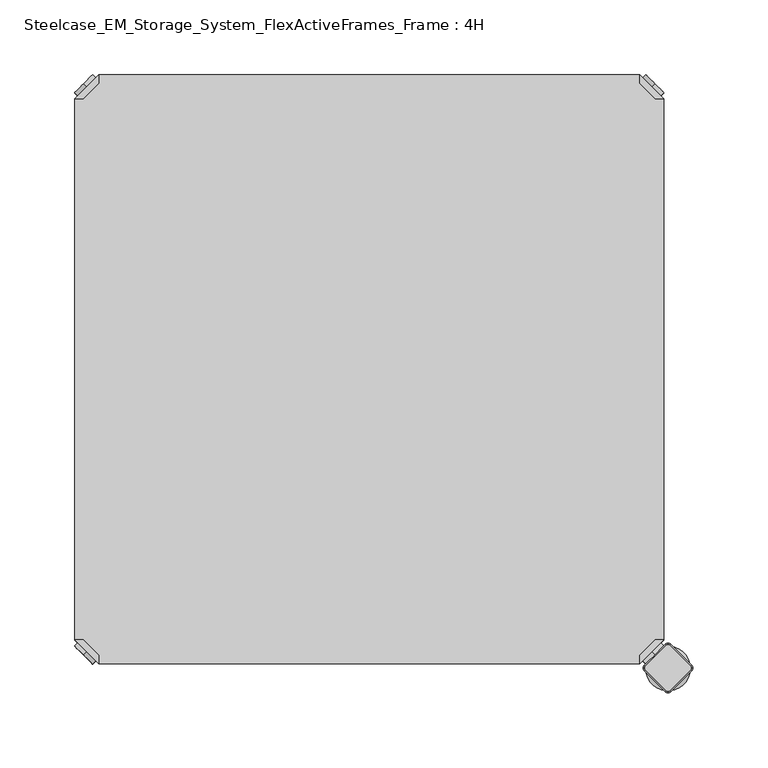
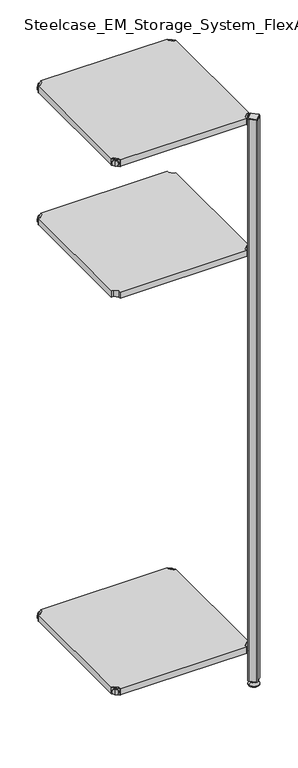
"""IFC4 building model written with IfcOpenShell, lengths in millimetres: furniture geometry, Steelcase_EM_Storage_System_FlexActiveFrames_Frame : 4H."""

from ifc_helpers import new_model, si_unit, point, frame, frame_2d, origin, place, context, project, spatial, polyline, circle_curve, trimmed, segment, composite_curve, outline, extrude, source, transform, mapped, element, save
from ifc_brep_helpers import plane_surface, cylinder_surface, revolved_surface, advanced_brep


def steelcase_em_storage_system_flexactiveframes_frame_4h_d74a4aea(model_context):
    return source(origin(), model_context, "Body", "SolidModel", [
        advanced_brep(
        [(10.9601551, -10.9601551, 1298.5), (10.9601551, -10.9601551, 1315.5), (10.9601551, -10.9601551, 1307.0), (8.8388348, -8.8388348, 1298.5), (8.8388348, -8.8388348, 1315.5), (8.8388348, -8.8388348, 1307.0)],
        [
            (0, 1, circle_curve(frame((10.9601551, -10.9601551, 1307.0), z_axis=(0.7071067811865464, -0.7071067811865487, 0.0), x_axis=(0.0, 0.0, 1.0)), 8.5)),
            (1, 2),
            (2, 0),
            (1, 0, circle_curve(frame((10.9601551, -10.9601551, 1307.0), z_axis=(0.7071067811865464, -0.7071067811865487, 0.0), x_axis=(0.0, 0.0, 1.0)), 8.5)),
            (3, 4, circle_curve(frame((8.8388348, -8.8388348, 1307.0), z_axis=(0.7071067811865464, -0.7071067811865487, 0.0), x_axis=(0.0, 0.0, 1.0)), 8.5)),
            (4, 1),
            (0, 3),
            (4, 3, circle_curve(frame((8.8388348, -8.8388348, 1307.0), z_axis=(0.7071067811865464, -0.7071067811865487, 0.0), x_axis=(0.0, 0.0, 1.0)), 8.5)),
            (5, 4),
            (3, 5),
        ],
        [
            plane_surface(frame((10.9601551, -10.9601551, 1307.0), z_axis=(0.707106781186546, -0.7071067811865491, 0.0), x_axis=(0.0, 0.0, 1.0))),
            cylinder_surface(frame((8.8388348, -8.8388348, 1307.0), z_axis=(-0.7071067811865464, 0.7071067811865487, 0.0), x_axis=(0.0, 0.0, 1.0)), 8.5),
            plane_surface(frame((8.8388348, -8.8388348, 1307.0), z_axis=(-0.707106781186546, 0.7071067811865491, 0.0), x_axis=(0.0, 0.0, 1.0))),
        ],
        [
            (0, [[1, 2, 3]]),
            (0, [[4, -3, -2]]),
            (1, [[5, 6, -1, 7]]),
            (1, [[8, -7, -4, -6]]),
            (2, [[9, -5, 10]]),
            (2, [[-10, -8, -9]]),
        ],
    ),
        advanced_brep(
        [(18.9203102, -3.0, 1317.0), (3.0, -18.9203102, 1317.0), (8.6568542, -18.9203102, 1317.0), (18.9203102, -8.6568542, 1317.0), (18.9203102, -3.0, 1298.0), (18.9203102, -3.0, 1297.0), (3.0, -18.9203102, 1297.0), (3.0, -18.9203102, 1298.0), (8.6568542, -18.9203102, 1298.0), (18.9203102, -8.6568542, 1298.0), (31.8093975, -47.7297077, 1298.0), (47.7297077, -31.8093975, 1298.0), (47.7297077, -31.8093975, 1297.0), (31.8093975, -47.7297077, 1297.0)],
        [
            (0, 1),
            (1, 2),
            (2, 3),
            (3, 0),
            (0, 4),
            (4, 5),
            (5, 6),
            (6, 7),
            (7, 1),
            (2, 8),
            (8, 9),
            (9, 3),
            (9, 4),
            (7, 8),
            (7, 10),
            (10, 11, circle_curve(frame((39.7695526, -39.7695526, 1298.0), z_axis=(0.0, 0.0, 1.0), x_axis=(1.0, 0.0, 0.0)), 11.2573593)),
            (11, 4),
            (5, 12),
            (12, 13, circle_curve(frame((39.7695526, -39.7695526, 1297.0), z_axis=(0.0, 0.0, -1.0), x_axis=(1.0, 0.0, 0.0)), 11.2573593)),
            (13, 6),
            (13, 10),
            (12, 11),
        ],
        [
            plane_surface(frame((-38.8756299, -60.7959401, 1317.0), z_axis=(0.0, 0.0, 1.0000000000000002), x_axis=(-0.7071067811865557, -0.7071067811865395, 0.0))),
            plane_surface(frame((18.9203102, -3.0, 1317.0), z_axis=(-0.7071067811865395, 0.7071067811865557, 0.0), x_axis=(0.0, 0.0, -1.0))),
            plane_surface(frame((8.6568542, -18.9203102, 1317.0), z_axis=(0.7071067811865481, -0.7071067811865469, 0.0), x_axis=(0.0, 0.0, -1.0))),
            plane_surface(frame((18.9203102, -8.6568542, 1317.0), z_axis=(1.0, 0.0, 0.0), x_axis=(0.0, 0.0, -1.0))),
            plane_surface(frame((3.0, -18.9203102, 1317.0), z_axis=(0.0, -1.0, 0.0), x_axis=(0.0, 0.0, -1.0))),
            plane_surface(frame((3.0, -18.9203102, 1298.0), z_axis=(0.0, 0.0, 1.0), x_axis=(-0.7071067811865485, -0.7071067811865466, 0.0))),
            plane_surface(frame((3.0, -18.9203102, 1297.0), z_axis=(0.0, 0.0, -1.0), x_axis=(0.7071067811865485, 0.7071067811865466, 0.0))),
            plane_surface(frame((3.0, -18.9203102, 1298.0), z_axis=(-0.7071067811865491, -0.707106781186546, 0.0), x_axis=(0.0, 0.0, -1.0))),
            cylinder_surface(frame((39.7695526, -39.7695526, 1297.0), z_axis=(0.0, 0.0, 1.0), x_axis=(1.0, 0.0, 0.0)), 11.2573593),
            plane_surface(frame((47.7297077, -31.8093975, 1298.0), z_axis=(0.707106781186548, 0.7071067811865471, 0.0), x_axis=(0.0, 0.0, -1.0))),
        ],
        [
            (0, [[1, 2, 3, 4]]),
            (1, [[-1, 5, 6, 7, 8, 9]]),
            (2, [[-3, 10, 11, 12]]),
            (3, [[-4, -12, 13, -5]]),
            (4, [[-2, -9, 14, -10]]),
            (5, [[15, 16, 17, -13, -11, -14]]),
            (6, [[18, 19, 20, -7]]),
            (7, [[-15, -8, -20, 21]]),
            (8, [[-16, -21, -19, 22]]),
            (9, [[-17, -22, -18, -6]]),
        ],
    ),
        extrude(outline(polyline([(381.0796898, -3.0), (381.0796898, -8.6568542), (391.3431458, -18.9203102), (397.0, -18.9203102), (397.0, -381.0796898), (391.3431458, -381.0796898), (381.0796898, -391.3431458), (381.0796898, -397.0), (18.9203102, -397.0), (18.9203102, -391.3431458), (8.6568542, -381.0796898), (3.0, -381.0796898), (3.0, -18.9203102), (8.6568542, -18.9203102), (18.9203102, -8.6568542), (18.9203102, -3.0), (381.0796898, -3.0)])), frame((0.0, 0.0, 1298.0), z_axis=(0.0, 0.0, 1.0), x_axis=(1.0, 0.0, 0.0)), (0.0, 0.0, 1.0), 19.0),
        advanced_brep(
        [(389.0398449, -10.9601551, 1698.5), (389.0398449, -10.9601551, 1707.0), (389.0398449, -10.9601551, 1715.5), (391.1611652, -8.8388348, 1698.5), (391.1611652, -8.8388348, 1715.5), (391.1611652, -8.8388348, 1707.0)],
        [
            (0, 1),
            (1, 2),
            (2, 0, circle_curve(frame((389.0398449, -10.9601551, 1707.0), z_axis=(-0.7071067811865556, -0.7071067811865395, 0.0), x_axis=(0.0, 0.0, 1.0)), 8.5)),
            (0, 2, circle_curve(frame((389.0398449, -10.9601551, 1707.0), z_axis=(-0.7071067811865556, -0.7071067811865395, 0.0), x_axis=(0.0, 0.0, 1.0)), 8.5)),
            (3, 0),
            (2, 4),
            (4, 3, circle_curve(frame((391.1611652, -8.8388348, 1707.0), z_axis=(-0.7071067811865556, -0.7071067811865395, 0.0), x_axis=(0.0, 0.0, 1.0)), 8.5)),
            (3, 4, circle_curve(frame((391.1611652, -8.8388348, 1707.0), z_axis=(-0.7071067811865556, -0.7071067811865395, 0.0), x_axis=(0.0, 0.0, 1.0)), 8.5)),
            (5, 3),
            (4, 5),
        ],
        [
            plane_surface(frame((389.0398449, -10.9601551, 1707.0), z_axis=(-0.7071067811865552, -0.7071067811865399, 0.0), x_axis=(0.0, 0.0, 1.0))),
            cylinder_surface(frame((391.1611652, -8.8388348, 1707.0), z_axis=(0.7071067811865556, 0.7071067811865395, 0.0), x_axis=(0.0, 0.0, 1.0)), 8.5),
            plane_surface(frame((391.1611652, -8.8388348, 1707.0), z_axis=(0.7071067811865552, 0.7071067811865399, 0.0), x_axis=(0.0, 0.0, 1.0))),
        ],
        [
            (0, [[1, 2, 3]]),
            (0, [[-2, -1, 4]]),
            (1, [[5, -3, 6, 7]]),
            (1, [[-6, -4, -5, 8]]),
            (2, [[9, -7, 10]]),
            (2, [[-10, -8, -9]]),
        ],
    ),
        advanced_brep(
        [(381.0796898, -3.0, 1717.0), (381.0796898, -8.6568542, 1717.0), (391.3431458, -18.9203102, 1717.0), (397.0, -18.9203102, 1717.0), (397.0, -18.9203102, 1698.0), (397.0, -18.9203102, 1697.0), (381.0796898, -3.0, 1697.0), (381.0796898, -3.0, 1698.0), (381.0796898, -8.6568542, 1698.0), (391.3431458, -18.9203102, 1698.0), (352.2702923, -31.8093975, 1698.0), (368.1906025, -47.7297077, 1698.0), (368.1906025, -47.7297077, 1697.0), (352.2702923, -31.8093975, 1697.0)],
        [
            (0, 1),
            (1, 2),
            (2, 3),
            (3, 0),
            (3, 4),
            (4, 5),
            (5, 6),
            (6, 7),
            (7, 0),
            (1, 8),
            (8, 9),
            (9, 2),
            (7, 8),
            (9, 4),
            (7, 10),
            (10, 11, circle_curve(frame((360.2304474, -39.7695526, 1698.0), z_axis=(0.0, 0.0, 1.0), x_axis=(-1.0, 0.0, 0.0)), 11.2573593)),
            (11, 4),
            (5, 12),
            (12, 13, circle_curve(frame((360.2304474, -39.7695526, 1697.0), z_axis=(0.0, 0.0, -1.0), x_axis=(-1.0, 0.0, 0.0)), 11.2573593)),
            (13, 6),
            (11, 12),
            (10, 13),
        ],
        [
            plane_surface(frame((438.8756299, -60.7959401, 1717.0), z_axis=(0.0, 0.0, 1.0000000000000002), x_axis=(0.7071067811865465, -0.7071067811865487, 0.0))),
            plane_surface(frame((381.0796898, -3.0, 1717.0), z_axis=(0.7071067811865487, 0.7071067811865465, 0.0), x_axis=(0.0, 0.0, -1.0))),
            plane_surface(frame((391.3431458, -18.9203102, 1717.0), z_axis=(-0.7071067811865573, -0.7071067811865377, 0.0), x_axis=(0.0, 0.0, -1.0))),
            plane_surface(frame((381.0796898, -8.6568542, 1717.0), z_axis=(-1.0, 0.0, 0.0), x_axis=(0.0, 0.0, -1.0))),
            plane_surface(frame((397.0, -18.9203102, 1717.0), z_axis=(0.0, -1.0, 0.0), x_axis=(0.0, 0.0, -1.0))),
            plane_surface(frame((397.0, -18.9203102, 1698.0), z_axis=(0.0, 0.0, 1.0), x_axis=(0.7071067811865392, -0.7071067811865558, 0.0))),
            plane_surface(frame((397.0, -18.9203102, 1697.0), z_axis=(0.0, 0.0, -1.0), x_axis=(-0.7071067811865392, 0.7071067811865558, 0.0))),
            plane_surface(frame((397.0, -18.9203102, 1698.0), z_axis=(0.7071067811865399, -0.7071067811865552, 0.0), x_axis=(0.0, 0.0, -1.0))),
            cylinder_surface(frame((360.2304474, -39.7695526, 1697.0), z_axis=(0.0, 0.0, 1.0), x_axis=(-1.0, 0.0, 0.0)), 11.2573593),
            plane_surface(frame((352.2702923, -31.8093975, 1698.0), z_axis=(-0.7071067811865388, 0.7071067811865563, 0.0), x_axis=(0.0, 0.0, -1.0))),
        ],
        [
            (0, [[1, 2, 3, 4]]),
            (1, [[5, 6, 7, 8, 9, -4]]),
            (2, [[10, 11, 12, -2]]),
            (3, [[-9, 13, -10, -1]]),
            (4, [[-12, 14, -5, -3]]),
            (5, [[-14, -11, -13, 15, 16, 17]]),
            (6, [[-7, 18, 19, 20]]),
            (7, [[21, -18, -6, -17]]),
            (8, [[22, -19, -21, -16]]),
            (9, [[-8, -20, -22, -15]]),
        ],
    ),
        advanced_brep(
        [(389.0398449, -389.0398449, 1698.5), (389.0398449, -389.0398449, 1715.5), (389.0398449, -389.0398449, 1707.0), (391.1611652, -391.1611652, 1698.5), (391.1611652, -391.1611652, 1715.5), (391.1611652, -391.1611652, 1707.0)],
        [
            (0, 1, circle_curve(frame((389.0398449, -389.0398449, 1707.0), z_axis=(-0.7071067811865509, 0.7071067811865441, 0.0), x_axis=(0.0, 0.0, 1.0)), 8.5)),
            (1, 2),
            (2, 0),
            (1, 0, circle_curve(frame((389.0398449, -389.0398449, 1707.0), z_axis=(-0.7071067811865509, 0.7071067811865441, 0.0), x_axis=(0.0, 0.0, 1.0)), 8.5)),
            (3, 4, circle_curve(frame((391.1611652, -391.1611652, 1707.0), z_axis=(-0.7071067811865509, 0.7071067811865441, 0.0), x_axis=(0.0, 0.0, 1.0)), 8.5)),
            (4, 1),
            (0, 3),
            (4, 3, circle_curve(frame((391.1611652, -391.1611652, 1707.0), z_axis=(-0.7071067811865509, 0.7071067811865441, 0.0), x_axis=(0.0, 0.0, 1.0)), 8.5)),
            (5, 4),
            (3, 5),
        ],
        [
            plane_surface(frame((389.0398449, -389.0398449, 1707.0), z_axis=(-0.7071067811865506, 0.7071067811865446, 0.0), x_axis=(0.0, 0.0, 1.0))),
            cylinder_surface(frame((391.1611652, -391.1611652, 1707.0), z_axis=(0.7071067811865509, -0.7071067811865441, 0.0), x_axis=(0.0, 0.0, 1.0)), 8.5),
            plane_surface(frame((391.1611652, -391.1611652, 1707.0), z_axis=(0.7071067811865506, -0.7071067811865446, 0.0), x_axis=(0.0, 0.0, 1.0))),
        ],
        [
            (0, [[1, 2, 3]]),
            (0, [[4, -3, -2]]),
            (1, [[5, 6, -1, 7]]),
            (1, [[8, -7, -4, -6]]),
            (2, [[9, -5, 10]]),
            (2, [[-10, -8, -9]]),
        ],
    ),
        advanced_brep(
        [(381.0796898, -397.0, 1717.0), (397.0, -381.0796898, 1717.0), (391.3431458, -381.0796898, 1717.0), (381.0796898, -391.3431458, 1717.0), (381.0796898, -397.0, 1698.0), (381.0796898, -397.0, 1697.0), (397.0, -381.0796898, 1697.0), (397.0, -381.0796898, 1698.0), (391.3431458, -381.0796898, 1698.0), (381.0796898, -391.3431458, 1698.0), (368.1906025, -352.2702923, 1698.0), (352.2702923, -368.1906025, 1698.0), (352.2702923, -368.1906025, 1697.0), (368.1906025, -352.2702923, 1697.0)],
        [
            (0, 1),
            (1, 2),
            (2, 3),
            (3, 0),
            (0, 4),
            (4, 5),
            (5, 6),
            (6, 7),
            (7, 1),
            (2, 8),
            (8, 9),
            (9, 3),
            (9, 4),
            (7, 8),
            (7, 10),
            (10, 11, circle_curve(frame((360.2304474, -360.2304474, 1698.0), z_axis=(0.0, 0.0, 1.0), x_axis=(-1.0, 0.0, 0.0)), 11.2573593)),
            (11, 4),
            (5, 12),
            (12, 13, circle_curve(frame((360.2304474, -360.2304474, 1697.0), z_axis=(0.0, 0.0, -1.0), x_axis=(-1.0, 0.0, 0.0)), 11.2573593)),
            (13, 6),
            (13, 10),
            (12, 11),
        ],
        [
            plane_surface(frame((438.8756299, -339.2040599, 1717.0), z_axis=(0.0, 0.0, 1.0000000000000002), x_axis=(0.7071067811865511, 0.707106781186544, 0.0))),
            plane_surface(frame((381.0796898, -397.0, 1717.0), z_axis=(0.707106781186544, -0.7071067811865511, 0.0), x_axis=(0.0, 0.0, -1.0))),
            plane_surface(frame((391.3431458, -381.0796898, 1717.0), z_axis=(-0.7071067811865527, 0.7071067811865424, 0.0), x_axis=(0.0, 0.0, -1.0))),
            plane_surface(frame((381.0796898, -391.3431458, 1717.0), z_axis=(-1.0, 0.0, 0.0), x_axis=(0.0, 0.0, -1.0))),
            plane_surface(frame((397.0, -381.0796898, 1717.0), z_axis=(0.0, 1.0, 0.0), x_axis=(0.0, 0.0, -1.0))),
            plane_surface(frame((397.0, -381.0796898, 1698.0), z_axis=(0.0, 0.0, 1.0), x_axis=(0.7071067811865439, 0.7071067811865511, 0.0))),
            plane_surface(frame((397.0, -381.0796898, 1697.0), z_axis=(0.0, 0.0, -1.0), x_axis=(-0.7071067811865439, -0.7071067811865511, 0.0))),
            plane_surface(frame((397.0, -381.0796898, 1698.0), z_axis=(0.7071067811865446, 0.7071067811865506, 0.0), x_axis=(0.0, 0.0, -1.0))),
            cylinder_surface(frame((360.2304474, -360.2304474, 1697.0), z_axis=(0.0, 0.0, 1.0), x_axis=(-1.0, 0.0, 0.0)), 11.2573593),
            plane_surface(frame((352.2702923, -368.1906025, 1698.0), z_axis=(-0.7071067811865435, -0.7071067811865517, 0.0), x_axis=(0.0, 0.0, -1.0))),
        ],
        [
            (0, [[1, 2, 3, 4]]),
            (1, [[-1, 5, 6, 7, 8, 9]]),
            (2, [[-3, 10, 11, 12]]),
            (3, [[-4, -12, 13, -5]]),
            (4, [[-2, -9, 14, -10]]),
            (5, [[15, 16, 17, -13, -11, -14]]),
            (6, [[18, 19, 20, -7]]),
            (7, [[-15, -8, -20, 21]]),
            (8, [[-16, -21, -19, 22]]),
            (9, [[-17, -22, -18, -6]]),
        ],
    ),
        advanced_brep(
        [(10.9601551, -389.0398449, 1698.5), (10.9601551, -389.0398449, 1707.0), (10.9601551, -389.0398449, 1715.5), (8.8388348, -391.1611652, 1698.5), (8.8388348, -391.1611652, 1715.5), (8.8388348, -391.1611652, 1707.0)],
        [
            (0, 1),
            (1, 2),
            (2, 0, circle_curve(frame((10.9601551, -389.0398449, 1707.0), z_axis=(0.7071067811865509, 0.7071067811865441, 0.0), x_axis=(0.0, 0.0, 1.0)), 8.5)),
            (0, 2, circle_curve(frame((10.9601551, -389.0398449, 1707.0), z_axis=(0.7071067811865509, 0.7071067811865441, 0.0), x_axis=(0.0, 0.0, 1.0)), 8.5)),
            (3, 0),
            (2, 4),
            (4, 3, circle_curve(frame((8.8388348, -391.1611652, 1707.0), z_axis=(0.7071067811865509, 0.7071067811865441, 0.0), x_axis=(0.0, 0.0, 1.0)), 8.5)),
            (3, 4, circle_curve(frame((8.8388348, -391.1611652, 1707.0), z_axis=(0.7071067811865509, 0.7071067811865441, 0.0), x_axis=(0.0, 0.0, 1.0)), 8.5)),
            (5, 3),
            (4, 5),
        ],
        [
            plane_surface(frame((10.9601551, -389.0398449, 1707.0), z_axis=(0.7071067811865506, 0.7071067811865446, 0.0), x_axis=(0.0, 0.0, 1.0))),
            cylinder_surface(frame((8.8388348, -391.1611652, 1707.0), z_axis=(-0.7071067811865509, -0.7071067811865441, 0.0), x_axis=(0.0, 0.0, 1.0)), 8.5),
            plane_surface(frame((8.8388348, -391.1611652, 1707.0), z_axis=(-0.7071067811865506, -0.7071067811865446, 0.0), x_axis=(0.0, 0.0, 1.0))),
        ],
        [
            (0, [[1, 2, 3]]),
            (0, [[-2, -1, 4]]),
            (1, [[5, -3, 6, 7]]),
            (1, [[-6, -4, -5, 8]]),
            (2, [[9, -7, 10]]),
            (2, [[-10, -8, -9]]),
        ],
    ),
        advanced_brep(
        [(18.9203102, -397.0, 1717.0), (18.9203102, -391.3431458, 1717.0), (8.6568542, -381.0796898, 1717.0), (3.0, -381.0796898, 1717.0), (3.0, -381.0796898, 1698.0), (3.0, -381.0796898, 1697.0), (18.9203102, -397.0, 1697.0), (18.9203102, -397.0, 1698.0), (18.9203102, -391.3431458, 1698.0), (8.6568542, -381.0796898, 1698.0), (47.7297077, -368.1906025, 1698.0), (31.8093975, -352.2702923, 1698.0), (31.8093975, -352.2702923, 1697.0), (47.7297077, -368.1906025, 1697.0)],
        [
            (0, 1),
            (1, 2),
            (2, 3),
            (3, 0),
            (3, 4),
            (4, 5),
            (5, 6),
            (6, 7),
            (7, 0),
            (1, 8),
            (8, 9),
            (9, 2),
            (7, 8),
            (9, 4),
            (7, 10),
            (10, 11, circle_curve(frame((39.7695526, -360.2304474, 1698.0), z_axis=(0.0, 0.0, 1.0), x_axis=(1.0, 0.0, 0.0)), 11.2573593)),
            (11, 4),
            (5, 12),
            (12, 13, circle_curve(frame((39.7695526, -360.2304474, 1697.0), z_axis=(0.0, 0.0, -1.0), x_axis=(1.0, 0.0, 0.0)), 11.2573593)),
            (13, 6),
            (11, 12),
            (10, 13),
        ],
        [
            plane_surface(frame((-38.8756299, -339.2040599, 1717.0), z_axis=(0.0, 0.0, 1.0000000000000002), x_axis=(-0.7071067811865511, 0.707106781186544, 0.0))),
            plane_surface(frame((18.9203102, -397.0, 1717.0), z_axis=(-0.707106781186544, -0.7071067811865511, 0.0), x_axis=(0.0, 0.0, -1.0))),
            plane_surface(frame((8.6568542, -381.0796898, 1717.0), z_axis=(0.7071067811865527, 0.7071067811865424, 0.0), x_axis=(0.0, 0.0, -1.0))),
            plane_surface(frame((18.9203102, -391.3431458, 1717.0), z_axis=(1.0, 0.0, 0.0), x_axis=(0.0, 0.0, -1.0))),
            plane_surface(frame((3.0, -381.0796898, 1717.0), z_axis=(0.0, 1.0, 0.0), x_axis=(0.0, 0.0, -1.0))),
            plane_surface(frame((3.0, -381.0796898, 1698.0), z_axis=(0.0, 0.0, 1.0), x_axis=(-0.7071067811865439, 0.7071067811865511, 0.0))),
            plane_surface(frame((3.0, -381.0796898, 1697.0), z_axis=(0.0, 0.0, -1.0), x_axis=(0.7071067811865439, -0.7071067811865511, 0.0))),
            plane_surface(frame((3.0, -381.0796898, 1698.0), z_axis=(-0.7071067811865446, 0.7071067811865506, 0.0), x_axis=(0.0, 0.0, -1.0))),
            cylinder_surface(frame((39.7695526, -360.2304474, 1697.0), z_axis=(0.0, 0.0, 1.0), x_axis=(1.0, 0.0, 0.0)), 11.2573593),
            plane_surface(frame((47.7297077, -368.1906025, 1698.0), z_axis=(0.7071067811865435, -0.7071067811865517, 0.0), x_axis=(0.0, 0.0, -1.0))),
        ],
        [
            (0, [[1, 2, 3, 4]]),
            (1, [[5, 6, 7, 8, 9, -4]]),
            (2, [[10, 11, 12, -2]]),
            (3, [[-9, 13, -10, -1]]),
            (4, [[-12, 14, -5, -3]]),
            (5, [[-14, -11, -13, 15, 16, 17]]),
            (6, [[-7, 18, 19, 20]]),
            (7, [[21, -18, -6, -17]]),
            (8, [[22, -19, -21, -16]]),
            (9, [[-8, -20, -22, -15]]),
        ],
    ),
        advanced_brep(
        [(10.9601551, -10.9601551, 1698.5), (10.9601551, -10.9601551, 1715.5), (10.9601551, -10.9601551, 1707.0), (8.8388348, -8.8388348, 1698.5), (8.8388348, -8.8388348, 1715.5), (8.8388348, -8.8388348, 1707.0)],
        [
            (0, 1, circle_curve(frame((10.9601551, -10.9601551, 1707.0), z_axis=(0.7071067811865464, -0.7071067811865487, 0.0), x_axis=(0.0, 0.0, 1.0)), 8.5)),
            (1, 2),
            (2, 0),
            (1, 0, circle_curve(frame((10.9601551, -10.9601551, 1707.0), z_axis=(0.7071067811865464, -0.7071067811865487, 0.0), x_axis=(0.0, 0.0, 1.0)), 8.5)),
            (3, 4, circle_curve(frame((8.8388348, -8.8388348, 1707.0), z_axis=(0.7071067811865464, -0.7071067811865487, 0.0), x_axis=(0.0, 0.0, 1.0)), 8.5)),
            (4, 1),
            (0, 3),
            (4, 3, circle_curve(frame((8.8388348, -8.8388348, 1707.0), z_axis=(0.7071067811865464, -0.7071067811865487, 0.0), x_axis=(0.0, 0.0, 1.0)), 8.5)),
            (5, 4),
            (3, 5),
        ],
        [
            plane_surface(frame((10.9601551, -10.9601551, 1707.0), z_axis=(0.707106781186546, -0.7071067811865491, 0.0), x_axis=(0.0, 0.0, 1.0))),
            cylinder_surface(frame((8.8388348, -8.8388348, 1707.0), z_axis=(-0.7071067811865464, 0.7071067811865487, 0.0), x_axis=(0.0, 0.0, 1.0)), 8.5),
            plane_surface(frame((8.8388348, -8.8388348, 1707.0), z_axis=(-0.707106781186546, 0.7071067811865491, 0.0), x_axis=(0.0, 0.0, 1.0))),
        ],
        [
            (0, [[1, 2, 3]]),
            (0, [[4, -3, -2]]),
            (1, [[5, 6, -1, 7]]),
            (1, [[8, -7, -4, -6]]),
            (2, [[9, -5, 10]]),
            (2, [[-10, -8, -9]]),
        ],
    ),
        advanced_brep(
        [(18.9203102, -3.0, 1717.0), (3.0, -18.9203102, 1717.0), (8.6568542, -18.9203102, 1717.0), (18.9203102, -8.6568542, 1717.0), (18.9203102, -3.0, 1698.0), (18.9203102, -3.0, 1697.0), (3.0, -18.9203102, 1697.0), (3.0, -18.9203102, 1698.0), (8.6568542, -18.9203102, 1698.0), (18.9203102, -8.6568542, 1698.0), (31.8093975, -47.7297077, 1698.0), (47.7297077, -31.8093975, 1698.0), (47.7297077, -31.8093975, 1697.0), (31.8093975, -47.7297077, 1697.0)],
        [
            (0, 1),
            (1, 2),
            (2, 3),
            (3, 0),
            (0, 4),
            (4, 5),
            (5, 6),
            (6, 7),
            (7, 1),
            (2, 8),
            (8, 9),
            (9, 3),
            (9, 4),
            (7, 8),
            (7, 10),
            (10, 11, circle_curve(frame((39.7695526, -39.7695526, 1698.0), z_axis=(0.0, 0.0, 1.0), x_axis=(1.0, 0.0, 0.0)), 11.2573593)),
            (11, 4),
            (5, 12),
            (12, 13, circle_curve(frame((39.7695526, -39.7695526, 1697.0), z_axis=(0.0, 0.0, -1.0), x_axis=(1.0, 0.0, 0.0)), 11.2573593)),
            (13, 6),
            (13, 10),
            (12, 11),
        ],
        [
            plane_surface(frame((-38.8756299, -60.7959401, 1717.0), z_axis=(0.0, 0.0, 1.0000000000000002), x_axis=(-0.7071067811865557, -0.7071067811865395, 0.0))),
            plane_surface(frame((18.9203102, -3.0, 1717.0), z_axis=(-0.7071067811865395, 0.7071067811865557, 0.0), x_axis=(0.0, 0.0, -1.0))),
            plane_surface(frame((8.6568542, -18.9203102, 1717.0), z_axis=(0.7071067811865481, -0.7071067811865469, 0.0), x_axis=(0.0, 0.0, -1.0))),
            plane_surface(frame((18.9203102, -8.6568542, 1717.0), z_axis=(1.0, 0.0, 0.0), x_axis=(0.0, 0.0, -1.0))),
            plane_surface(frame((3.0, -18.9203102, 1717.0), z_axis=(0.0, -1.0, 0.0), x_axis=(0.0, 0.0, -1.0))),
            plane_surface(frame((3.0, -18.9203102, 1698.0), z_axis=(0.0, 0.0, 1.0), x_axis=(-0.7071067811865485, -0.7071067811865466, 0.0))),
            plane_surface(frame((3.0, -18.9203102, 1697.0), z_axis=(0.0, 0.0, -1.0), x_axis=(0.7071067811865485, 0.7071067811865466, 0.0))),
            plane_surface(frame((3.0, -18.9203102, 1698.0), z_axis=(-0.7071067811865491, -0.707106781186546, 0.0), x_axis=(0.0, 0.0, -1.0))),
            cylinder_surface(frame((39.7695526, -39.7695526, 1697.0), z_axis=(0.0, 0.0, 1.0), x_axis=(1.0, 0.0, 0.0)), 11.2573593),
            plane_surface(frame((47.7297077, -31.8093975, 1698.0), z_axis=(0.707106781186548, 0.7071067811865471, 0.0), x_axis=(0.0, 0.0, -1.0))),
        ],
        [
            (0, [[1, 2, 3, 4]]),
            (1, [[-1, 5, 6, 7, 8, 9]]),
            (2, [[-3, 10, 11, 12]]),
            (3, [[-4, -12, 13, -5]]),
            (4, [[-2, -9, 14, -10]]),
            (5, [[15, 16, 17, -13, -11, -14]]),
            (6, [[18, 19, 20, -7]]),
            (7, [[-15, -8, -20, 21]]),
            (8, [[-16, -21, -19, 22]]),
            (9, [[-17, -22, -18, -6]]),
        ],
    ),
        extrude(outline(polyline([(381.0796898, -3.0), (381.0796898, -8.6568542), (391.3431458, -18.9203102), (397.0, -18.9203102), (397.0, -381.0796898), (391.3431458, -381.0796898), (381.0796898, -391.3431458), (381.0796898, -397.0), (18.9203102, -397.0), (18.9203102, -391.3431458), (8.6568542, -381.0796898), (3.0, -381.0796898), (3.0, -18.9203102), (8.6568542, -18.9203102), (18.9203102, -8.6568542), (18.9203102, -3.0), (381.0796898, -3.0)])), frame((0.0, 0.0, 1698.0), z_axis=(0.0, 0.0, 1.0), x_axis=(1.0, 0.0, 0.0)), (0.0, 0.0, 1.0), 19.0),
        advanced_brep(
        [(389.0398449, -10.9601551, 98.5), (389.0398449, -10.9601551, 107.0), (389.0398449, -10.9601551, 115.5), (391.1611652, -8.8388348, 98.5), (391.1611652, -8.8388348, 115.5), (391.1611652, -8.8388348, 107.0)],
        [
            (0, 1),
            (1, 2),
            (2, 0, circle_curve(frame((389.0398449, -10.9601551, 107.0), z_axis=(-0.7071067811865556, -0.7071067811865395, 0.0), x_axis=(0.0, 0.0, 1.0)), 8.5)),
            (0, 2, circle_curve(frame((389.0398449, -10.9601551, 107.0), z_axis=(-0.7071067811865556, -0.7071067811865395, 0.0), x_axis=(0.0, 0.0, 1.0)), 8.5)),
            (3, 0),
            (2, 4),
            (4, 3, circle_curve(frame((391.1611652, -8.8388348, 107.0), z_axis=(-0.7071067811865556, -0.7071067811865395, 0.0), x_axis=(0.0, 0.0, 1.0)), 8.5)),
            (3, 4, circle_curve(frame((391.1611652, -8.8388348, 107.0), z_axis=(-0.7071067811865556, -0.7071067811865395, 0.0), x_axis=(0.0, 0.0, 1.0)), 8.5)),
            (5, 3),
            (4, 5),
        ],
        [
            plane_surface(frame((389.0398449, -10.9601551, 107.0), z_axis=(-0.7071067811865552, -0.7071067811865399, 0.0), x_axis=(0.0, 0.0, 1.0))),
            cylinder_surface(frame((391.1611652, -8.8388348, 107.0), z_axis=(0.7071067811865556, 0.7071067811865395, 0.0), x_axis=(0.0, 0.0, 1.0)), 8.5),
            plane_surface(frame((391.1611652, -8.8388348, 107.0), z_axis=(0.7071067811865552, 0.7071067811865399, 0.0), x_axis=(0.0, 0.0, 1.0))),
        ],
        [
            (0, [[1, 2, 3]]),
            (0, [[-2, -1, 4]]),
            (1, [[5, -3, 6, 7]]),
            (1, [[-6, -4, -5, 8]]),
            (2, [[9, -7, 10]]),
            (2, [[-10, -8, -9]]),
        ],
    ),
        advanced_brep(
        [(381.0796898, -3.0, 117.0), (381.0796898, -8.6568542, 117.0), (391.3431458, -18.9203102, 117.0), (397.0, -18.9203102, 117.0), (397.0, -18.9203102, 98.0), (397.0, -18.9203102, 97.0), (381.0796898, -3.0, 97.0), (381.0796898, -3.0, 98.0), (381.0796898, -8.6568542, 98.0), (391.3431458, -18.9203102, 98.0), (352.2702923, -31.8093975, 98.0), (368.1906025, -47.7297077, 98.0), (368.1906025, -47.7297077, 97.0), (352.2702923, -31.8093975, 97.0)],
        [
            (0, 1),
            (1, 2),
            (2, 3),
            (3, 0),
            (3, 4),
            (4, 5),
            (5, 6),
            (6, 7),
            (7, 0),
            (1, 8),
            (8, 9),
            (9, 2),
            (7, 8),
            (9, 4),
            (7, 10),
            (10, 11, circle_curve(frame((360.2304474, -39.7695526, 98.0), z_axis=(0.0, 0.0, 1.0), x_axis=(-1.0, 0.0, 0.0)), 11.2573593)),
            (11, 4),
            (5, 12),
            (12, 13, circle_curve(frame((360.2304474, -39.7695526, 97.0), z_axis=(0.0, 0.0, -1.0), x_axis=(-1.0, 0.0, 0.0)), 11.2573593)),
            (13, 6),
            (11, 12),
            (10, 13),
        ],
        [
            plane_surface(frame((438.8756299, -60.7959401, 117.0), z_axis=(0.0, 0.0, 1.0000000000000002), x_axis=(0.7071067811865465, -0.7071067811865487, 0.0))),
            plane_surface(frame((381.0796898, -3.0, 117.0), z_axis=(0.7071067811865487, 0.7071067811865465, 0.0), x_axis=(0.0, 0.0, -1.0))),
            plane_surface(frame((391.3431458, -18.9203102, 117.0), z_axis=(-0.7071067811865573, -0.7071067811865377, 0.0), x_axis=(0.0, 0.0, -1.0))),
            plane_surface(frame((381.0796898, -8.6568542, 117.0), z_axis=(-1.0, 0.0, 0.0), x_axis=(0.0, 0.0, -1.0))),
            plane_surface(frame((397.0, -18.9203102, 117.0), z_axis=(0.0, -1.0, 0.0), x_axis=(0.0, 0.0, -1.0))),
            plane_surface(frame((397.0, -18.9203102, 98.0), z_axis=(0.0, 0.0, 1.0), x_axis=(0.7071067811865392, -0.7071067811865558, 0.0))),
            plane_surface(frame((397.0, -18.9203102, 97.0), z_axis=(0.0, 0.0, -1.0), x_axis=(-0.7071067811865392, 0.7071067811865558, 0.0))),
            plane_surface(frame((397.0, -18.9203102, 98.0), z_axis=(0.7071067811865399, -0.7071067811865552, 0.0), x_axis=(0.0, 0.0, -1.0))),
            cylinder_surface(frame((360.2304474, -39.7695526, 97.0), z_axis=(0.0, 0.0, 1.0), x_axis=(-1.0, 0.0, 0.0)), 11.2573593),
            plane_surface(frame((352.2702923, -31.8093975, 98.0), z_axis=(-0.7071067811865388, 0.7071067811865563, 0.0), x_axis=(0.0, 0.0, -1.0))),
        ],
        [
            (0, [[1, 2, 3, 4]]),
            (1, [[5, 6, 7, 8, 9, -4]]),
            (2, [[10, 11, 12, -2]]),
            (3, [[-9, 13, -10, -1]]),
            (4, [[-12, 14, -5, -3]]),
            (5, [[-14, -11, -13, 15, 16, 17]]),
            (6, [[-7, 18, 19, 20]]),
            (7, [[21, -18, -6, -17]]),
            (8, [[22, -19, -21, -16]]),
            (9, [[-8, -20, -22, -15]]),
        ],
    ),
        advanced_brep(
        [(389.0398449, -389.0398449, 98.5), (389.0398449, -389.0398449, 115.5), (389.0398449, -389.0398449, 107.0), (391.1611652, -391.1611652, 98.5), (391.1611652, -391.1611652, 115.5), (391.1611652, -391.1611652, 107.0)],
        [
            (0, 1, circle_curve(frame((389.0398449, -389.0398449, 107.0), z_axis=(-0.7071067811865509, 0.7071067811865441, 0.0), x_axis=(0.0, 0.0, 1.0)), 8.5)),
            (1, 2),
            (2, 0),
            (1, 0, circle_curve(frame((389.0398449, -389.0398449, 107.0), z_axis=(-0.7071067811865509, 0.7071067811865441, 0.0), x_axis=(0.0, 0.0, 1.0)), 8.5)),
            (3, 4, circle_curve(frame((391.1611652, -391.1611652, 107.0), z_axis=(-0.7071067811865509, 0.7071067811865441, 0.0), x_axis=(0.0, 0.0, 1.0)), 8.5)),
            (4, 1),
            (0, 3),
            (4, 3, circle_curve(frame((391.1611652, -391.1611652, 107.0), z_axis=(-0.7071067811865509, 0.7071067811865441, 0.0), x_axis=(0.0, 0.0, 1.0)), 8.5)),
            (5, 4),
            (3, 5),
        ],
        [
            plane_surface(frame((389.0398449, -389.0398449, 107.0), z_axis=(-0.7071067811865506, 0.7071067811865446, 0.0), x_axis=(0.0, 0.0, 1.0))),
            cylinder_surface(frame((391.1611652, -391.1611652, 107.0), z_axis=(0.7071067811865509, -0.7071067811865441, 0.0), x_axis=(0.0, 0.0, 1.0)), 8.5),
            plane_surface(frame((391.1611652, -391.1611652, 107.0), z_axis=(0.7071067811865506, -0.7071067811865446, 0.0), x_axis=(0.0, 0.0, 1.0))),
        ],
        [
            (0, [[1, 2, 3]]),
            (0, [[4, -3, -2]]),
            (1, [[5, 6, -1, 7]]),
            (1, [[8, -7, -4, -6]]),
            (2, [[9, -5, 10]]),
            (2, [[-10, -8, -9]]),
        ],
    ),
        advanced_brep(
        [(381.0796898, -397.0, 117.0), (397.0, -381.0796898, 117.0), (391.3431458, -381.0796898, 117.0), (381.0796898, -391.3431458, 117.0), (381.0796898, -397.0, 98.0), (381.0796898, -397.0, 97.0), (397.0, -381.0796898, 97.0), (397.0, -381.0796898, 98.0), (391.3431458, -381.0796898, 98.0), (381.0796898, -391.3431458, 98.0), (368.1906025, -352.2702923, 98.0), (352.2702923, -368.1906025, 98.0), (352.2702923, -368.1906025, 97.0), (368.1906025, -352.2702923, 97.0)],
        [
            (0, 1),
            (1, 2),
            (2, 3),
            (3, 0),
            (0, 4),
            (4, 5),
            (5, 6),
            (6, 7),
            (7, 1),
            (2, 8),
            (8, 9),
            (9, 3),
            (9, 4),
            (7, 8),
            (7, 10),
            (10, 11, circle_curve(frame((360.2304474, -360.2304474, 98.0), z_axis=(0.0, 0.0, 1.0), x_axis=(-1.0, 0.0, 0.0)), 11.2573593)),
            (11, 4),
            (5, 12),
            (12, 13, circle_curve(frame((360.2304474, -360.2304474, 97.0), z_axis=(0.0, 0.0, -1.0), x_axis=(-1.0, 0.0, 0.0)), 11.2573593)),
            (13, 6),
            (13, 10),
            (12, 11),
        ],
        [
            plane_surface(frame((438.8756299, -339.2040599, 117.0), z_axis=(0.0, 0.0, 1.0000000000000002), x_axis=(0.7071067811865511, 0.707106781186544, 0.0))),
            plane_surface(frame((381.0796898, -397.0, 117.0), z_axis=(0.707106781186544, -0.7071067811865511, 0.0), x_axis=(0.0, 0.0, -1.0))),
            plane_surface(frame((391.3431458, -381.0796898, 117.0), z_axis=(-0.7071067811865527, 0.7071067811865424, 0.0), x_axis=(0.0, 0.0, -1.0))),
            plane_surface(frame((381.0796898, -391.3431458, 117.0), z_axis=(-1.0, 0.0, 0.0), x_axis=(0.0, 0.0, -1.0))),
            plane_surface(frame((397.0, -381.0796898, 117.0), z_axis=(0.0, 1.0, 0.0), x_axis=(0.0, 0.0, -1.0))),
            plane_surface(frame((397.0, -381.0796898, 98.0), z_axis=(0.0, 0.0, 1.0), x_axis=(0.7071067811865439, 0.7071067811865511, 0.0))),
            plane_surface(frame((397.0, -381.0796898, 97.0), z_axis=(0.0, 0.0, -1.0), x_axis=(-0.7071067811865439, -0.7071067811865511, 0.0))),
            plane_surface(frame((397.0, -381.0796898, 98.0), z_axis=(0.7071067811865446, 0.7071067811865506, 0.0), x_axis=(0.0, 0.0, -1.0))),
            cylinder_surface(frame((360.2304474, -360.2304474, 97.0), z_axis=(0.0, 0.0, 1.0), x_axis=(-1.0, 0.0, 0.0)), 11.2573593),
            plane_surface(frame((352.2702923, -368.1906025, 98.0), z_axis=(-0.7071067811865435, -0.7071067811865517, 0.0), x_axis=(0.0, 0.0, -1.0))),
        ],
        [
            (0, [[1, 2, 3, 4]]),
            (1, [[-1, 5, 6, 7, 8, 9]]),
            (2, [[-3, 10, 11, 12]]),
            (3, [[-4, -12, 13, -5]]),
            (4, [[-2, -9, 14, -10]]),
            (5, [[15, 16, 17, -13, -11, -14]]),
            (6, [[18, 19, 20, -7]]),
            (7, [[-15, -8, -20, 21]]),
            (8, [[-16, -21, -19, 22]]),
            (9, [[-17, -22, -18, -6]]),
        ],
    ),
        advanced_brep(
        [(10.9601551, -389.0398449, 98.5), (10.9601551, -389.0398449, 107.0), (10.9601551, -389.0398449, 115.5), (8.8388348, -391.1611652, 98.5), (8.8388348, -391.1611652, 115.5), (8.8388348, -391.1611652, 107.0)],
        [
            (0, 1),
            (1, 2),
            (2, 0, circle_curve(frame((10.9601551, -389.0398449, 107.0), z_axis=(0.7071067811865509, 0.7071067811865441, 0.0), x_axis=(0.0, 0.0, 1.0)), 8.5)),
            (0, 2, circle_curve(frame((10.9601551, -389.0398449, 107.0), z_axis=(0.7071067811865509, 0.7071067811865441, 0.0), x_axis=(0.0, 0.0, 1.0)), 8.5)),
            (3, 0),
            (2, 4),
            (4, 3, circle_curve(frame((8.8388348, -391.1611652, 107.0), z_axis=(0.7071067811865509, 0.7071067811865441, 0.0), x_axis=(0.0, 0.0, 1.0)), 8.5)),
            (3, 4, circle_curve(frame((8.8388348, -391.1611652, 107.0), z_axis=(0.7071067811865509, 0.7071067811865441, 0.0), x_axis=(0.0, 0.0, 1.0)), 8.5)),
            (5, 3),
            (4, 5),
        ],
        [
            plane_surface(frame((10.9601551, -389.0398449, 107.0), z_axis=(0.7071067811865506, 0.7071067811865446, 0.0), x_axis=(0.0, 0.0, 1.0))),
            cylinder_surface(frame((8.8388348, -391.1611652, 107.0), z_axis=(-0.7071067811865509, -0.7071067811865441, 0.0), x_axis=(0.0, 0.0, 1.0)), 8.5),
            plane_surface(frame((8.8388348, -391.1611652, 107.0), z_axis=(-0.7071067811865506, -0.7071067811865446, 0.0), x_axis=(0.0, 0.0, 1.0))),
        ],
        [
            (0, [[1, 2, 3]]),
            (0, [[-2, -1, 4]]),
            (1, [[5, -3, 6, 7]]),
            (1, [[-6, -4, -5, 8]]),
            (2, [[9, -7, 10]]),
            (2, [[-10, -8, -9]]),
        ],
    ),
        advanced_brep(
        [(18.9203102, -397.0, 117.0), (18.9203102, -391.3431458, 117.0), (8.6568542, -381.0796898, 117.0), (3.0, -381.0796898, 117.0), (3.0, -381.0796898, 98.0), (3.0, -381.0796898, 97.0), (18.9203102, -397.0, 97.0), (18.9203102, -397.0, 98.0), (18.9203102, -391.3431458, 98.0), (8.6568542, -381.0796898, 98.0), (47.7297077, -368.1906025, 98.0), (31.8093975, -352.2702923, 98.0), (31.8093975, -352.2702923, 97.0), (47.7297077, -368.1906025, 97.0)],
        [
            (0, 1),
            (1, 2),
            (2, 3),
            (3, 0),
            (3, 4),
            (4, 5),
            (5, 6),
            (6, 7),
            (7, 0),
            (1, 8),
            (8, 9),
            (9, 2),
            (7, 8),
            (9, 4),
            (7, 10),
            (10, 11, circle_curve(frame((39.7695526, -360.2304474, 98.0), z_axis=(0.0, 0.0, 1.0), x_axis=(1.0, 0.0, 0.0)), 11.2573593)),
            (11, 4),
            (5, 12),
            (12, 13, circle_curve(frame((39.7695526, -360.2304474, 97.0), z_axis=(0.0, 0.0, -1.0), x_axis=(1.0, 0.0, 0.0)), 11.2573593)),
            (13, 6),
            (11, 12),
            (10, 13),
        ],
        [
            plane_surface(frame((-38.8756299, -339.2040599, 117.0), z_axis=(0.0, 0.0, 1.0000000000000002), x_axis=(-0.7071067811865511, 0.707106781186544, 0.0))),
            plane_surface(frame((18.9203102, -397.0, 117.0), z_axis=(-0.707106781186544, -0.7071067811865511, 0.0), x_axis=(0.0, 0.0, -1.0))),
            plane_surface(frame((8.6568542, -381.0796898, 117.0), z_axis=(0.7071067811865527, 0.7071067811865424, 0.0), x_axis=(0.0, 0.0, -1.0))),
            plane_surface(frame((18.9203102, -391.3431458, 117.0), z_axis=(1.0, 0.0, 0.0), x_axis=(0.0, 0.0, -1.0))),
            plane_surface(frame((3.0, -381.0796898, 117.0), z_axis=(0.0, 1.0, 0.0), x_axis=(0.0, 0.0, -1.0))),
            plane_surface(frame((3.0, -381.0796898, 98.0), z_axis=(0.0, 0.0, 1.0), x_axis=(-0.7071067811865439, 0.7071067811865511, 0.0))),
            plane_surface(frame((3.0, -381.0796898, 97.0), z_axis=(0.0, 0.0, -1.0), x_axis=(0.7071067811865439, -0.7071067811865511, 0.0))),
            plane_surface(frame((3.0, -381.0796898, 98.0), z_axis=(-0.7071067811865446, 0.7071067811865506, 0.0), x_axis=(0.0, 0.0, -1.0))),
            cylinder_surface(frame((39.7695526, -360.2304474, 97.0), z_axis=(0.0, 0.0, 1.0), x_axis=(1.0, 0.0, 0.0)), 11.2573593),
            plane_surface(frame((47.7297077, -368.1906025, 98.0), z_axis=(0.7071067811865435, -0.7071067811865517, 0.0), x_axis=(0.0, 0.0, -1.0))),
        ],
        [
            (0, [[1, 2, 3, 4]]),
            (1, [[5, 6, 7, 8, 9, -4]]),
            (2, [[10, 11, 12, -2]]),
            (3, [[-9, 13, -10, -1]]),
            (4, [[-12, 14, -5, -3]]),
            (5, [[-14, -11, -13, 15, 16, 17]]),
            (6, [[-7, 18, 19, 20]]),
            (7, [[21, -18, -6, -17]]),
            (8, [[22, -19, -21, -16]]),
            (9, [[-8, -20, -22, -15]]),
        ],
    ),
        advanced_brep(
        [(10.9601551, -10.9601551, 98.5), (10.9601551, -10.9601551, 115.5), (10.9601551, -10.9601551, 107.0), (8.8388348, -8.8388348, 98.5), (8.8388348, -8.8388348, 115.5), (8.8388348, -8.8388348, 107.0)],
        [
            (0, 1, circle_curve(frame((10.9601551, -10.9601551, 107.0), z_axis=(0.7071067811865464, -0.7071067811865487, 0.0), x_axis=(0.0, 0.0, 1.0)), 8.5)),
            (1, 2),
            (2, 0),
            (1, 0, circle_curve(frame((10.9601551, -10.9601551, 107.0), z_axis=(0.7071067811865464, -0.7071067811865487, 0.0), x_axis=(0.0, 0.0, 1.0)), 8.5)),
            (3, 4, circle_curve(frame((8.8388348, -8.8388348, 107.0), z_axis=(0.7071067811865464, -0.7071067811865487, 0.0), x_axis=(0.0, 0.0, 1.0)), 8.5)),
            (4, 1),
            (0, 3),
            (4, 3, circle_curve(frame((8.8388348, -8.8388348, 107.0), z_axis=(0.7071067811865464, -0.7071067811865487, 0.0), x_axis=(0.0, 0.0, 1.0)), 8.5)),
            (5, 4),
            (3, 5),
        ],
        [
            plane_surface(frame((10.9601551, -10.9601551, 107.0), z_axis=(0.707106781186546, -0.7071067811865491, 0.0), x_axis=(0.0, 0.0, 1.0))),
            cylinder_surface(frame((8.8388348, -8.8388348, 107.0), z_axis=(-0.7071067811865464, 0.7071067811865487, 0.0), x_axis=(0.0, 0.0, 1.0)), 8.5),
            plane_surface(frame((8.8388348, -8.8388348, 107.0), z_axis=(-0.707106781186546, 0.7071067811865491, 0.0), x_axis=(0.0, 0.0, 1.0))),
        ],
        [
            (0, [[1, 2, 3]]),
            (0, [[4, -3, -2]]),
            (1, [[5, 6, -1, 7]]),
            (1, [[8, -7, -4, -6]]),
            (2, [[9, -5, 10]]),
            (2, [[-10, -8, -9]]),
        ],
    ),
        advanced_brep(
        [(18.9203102, -3.0, 117.0), (3.0, -18.9203102, 117.0), (8.6568542, -18.9203102, 117.0), (18.9203102, -8.6568542, 117.0), (18.9203102, -3.0, 98.0), (18.9203102, -3.0, 97.0), (3.0, -18.9203102, 97.0), (3.0, -18.9203102, 98.0), (8.6568542, -18.9203102, 98.0), (18.9203102, -8.6568542, 98.0), (31.8093975, -47.7297077, 98.0), (47.7297077, -31.8093975, 98.0), (47.7297077, -31.8093975, 97.0), (31.8093975, -47.7297077, 97.0)],
        [
            (0, 1),
            (1, 2),
            (2, 3),
            (3, 0),
            (0, 4),
            (4, 5),
            (5, 6),
            (6, 7),
            (7, 1),
            (2, 8),
            (8, 9),
            (9, 3),
            (9, 4),
            (7, 8),
            (7, 10),
            (10, 11, circle_curve(frame((39.7695526, -39.7695526, 98.0), z_axis=(0.0, 0.0, 1.0), x_axis=(1.0, 0.0, 0.0)), 11.2573593)),
            (11, 4),
            (5, 12),
            (12, 13, circle_curve(frame((39.7695526, -39.7695526, 97.0), z_axis=(0.0, 0.0, -1.0), x_axis=(1.0, 0.0, 0.0)), 11.2573593)),
            (13, 6),
            (13, 10),
            (12, 11),
        ],
        [
            plane_surface(frame((-38.8756299, -60.7959401, 117.0), z_axis=(0.0, 0.0, 1.0000000000000002), x_axis=(-0.7071067811865557, -0.7071067811865395, 0.0))),
            plane_surface(frame((18.9203102, -3.0, 117.0), z_axis=(-0.7071067811865395, 0.7071067811865557, 0.0), x_axis=(0.0, 0.0, -1.0))),
            plane_surface(frame((8.6568542, -18.9203102, 117.0), z_axis=(0.7071067811865481, -0.7071067811865469, 0.0), x_axis=(0.0, 0.0, -1.0))),
            plane_surface(frame((18.9203102, -8.6568542, 117.0), z_axis=(1.0, 0.0, 0.0), x_axis=(0.0, 0.0, -1.0))),
            plane_surface(frame((3.0, -18.9203102, 117.0), z_axis=(0.0, -1.0, 0.0), x_axis=(0.0, 0.0, -1.0))),
            plane_surface(frame((3.0, -18.9203102, 98.0), z_axis=(0.0, 0.0, 1.0), x_axis=(-0.7071067811865485, -0.7071067811865466, 0.0))),
            plane_surface(frame((3.0, -18.9203102, 97.0), z_axis=(0.0, 0.0, -1.0), x_axis=(0.7071067811865485, 0.7071067811865466, 0.0))),
            plane_surface(frame((3.0, -18.9203102, 98.0), z_axis=(-0.7071067811865491, -0.707106781186546, 0.0), x_axis=(0.0, 0.0, -1.0))),
            cylinder_surface(frame((39.7695526, -39.7695526, 97.0), z_axis=(0.0, 0.0, 1.0), x_axis=(1.0, 0.0, 0.0)), 11.2573593),
            plane_surface(frame((47.7297077, -31.8093975, 98.0), z_axis=(0.707106781186548, 0.7071067811865471, 0.0), x_axis=(0.0, 0.0, -1.0))),
        ],
        [
            (0, [[1, 2, 3, 4]]),
            (1, [[-1, 5, 6, 7, 8, 9]]),
            (2, [[-3, 10, 11, 12]]),
            (3, [[-4, -12, 13, -5]]),
            (4, [[-2, -9, 14, -10]]),
            (5, [[15, 16, 17, -13, -11, -14]]),
            (6, [[18, 19, 20, -7]]),
            (7, [[-15, -8, -20, 21]]),
            (8, [[-16, -21, -19, 22]]),
            (9, [[-17, -22, -18, -6]]),
        ],
    ),
        extrude(outline(polyline([(381.0796898, -3.0), (381.0796898, -8.6568542), (391.3431458, -18.9203102), (397.0, -18.9203102), (397.0, -381.0796898), (391.3431458, -381.0796898), (381.0796898, -391.3431458), (381.0796898, -397.0), (18.9203102, -397.0), (18.9203102, -391.3431458), (8.6568542, -381.0796898), (3.0, -381.0796898), (3.0, -18.9203102), (8.6568542, -18.9203102), (18.9203102, -8.6568542), (18.9203102, -3.0), (381.0796898, -3.0)])), frame((0.0, 0.0, 98.0), z_axis=(0.0, 0.0, 1.0), x_axis=(1.0, 0.0, 0.0)), (0.0, 0.0, 1.0), 19.0),
        advanced_brep(
        [(385.0, -400.0, 0.0), (415.0, -400.0, 0.0), (400.0, -400.0, 0.0), (385.0, -400.0, 2.0), (415.0, -400.0, 2.0), (392.0, -400.0, 9.0), (408.0, -400.0, 9.0), (396.0, -400.0, 9.0), (404.0, -400.0, 9.0), (396.0, -400.0, 15.0), (404.0, -400.0, 15.0), (400.0, -400.0, 15.0)],
        [
            (0, 1, circle_curve(frame((400.0, -400.0, 0.0), z_axis=(0.0, 0.0, -1.0), x_axis=(1.0, 0.0, 0.0)), 15.0)),
            (1, 2),
            (2, 0),
            (1, 0, circle_curve(frame((400.0, -400.0, 0.0), z_axis=(0.0, 0.0, -1.0), x_axis=(1.0, 0.0, 0.0)), 15.0)),
            (3, 4, circle_curve(frame((400.0, -400.0, 2.0), z_axis=(0.0, 0.0, -1.0), x_axis=(1.0, 0.0, 0.0)), 15.0)),
            (4, 1),
            (0, 3),
            (4, 3, circle_curve(frame((400.0, -400.0, 2.0), z_axis=(0.0, 0.0, -1.0), x_axis=(1.0, 0.0, 0.0)), 15.0)),
            (5, 6, circle_curve(frame((400.0, -400.0, 9.0), z_axis=(0.0, 0.0, -1.0), x_axis=(1.0, 0.0, 0.0)), 8.0)),
            (6, 4),
            (3, 5),
            (6, 5, circle_curve(frame((400.0, -400.0, 9.0), z_axis=(0.0, 0.0, -1.0), x_axis=(1.0, 0.0, 0.0)), 8.0)),
            (7, 8, circle_curve(frame((400.0, -400.0, 9.0), z_axis=(0.0, 0.0, -1.0), x_axis=(1.0, 0.0, 0.0)), 4.0)),
            (8, 6),
            (5, 7),
            (8, 7, circle_curve(frame((400.0, -400.0, 9.0), z_axis=(0.0, 0.0, -1.0), x_axis=(1.0, 0.0, 0.0)), 4.0)),
            (9, 10, circle_curve(frame((400.0, -400.0, 15.0), z_axis=(0.0, 0.0, -1.0), x_axis=(1.0, 0.0, 0.0)), 4.0)),
            (10, 8),
            (7, 9),
            (10, 9, circle_curve(frame((400.0, -400.0, 15.0), z_axis=(0.0, 0.0, -1.0), x_axis=(1.0, 0.0, 0.0)), 4.0)),
            (11, 10),
            (9, 11),
        ],
        [
            plane_surface(frame((400.0, -400.0, 0.0), z_axis=(0.0, 0.0, -1.0), x_axis=(1.0, 0.0, 0.0))),
            cylinder_surface(frame((400.0, -400.0, 18.6083303), z_axis=(0.0, 0.0, 1.0), x_axis=(1.0, 0.0, 0.0)), 15.0),
            revolved_surface(polyline([(415.0, -400.0, 2.0), (408.0, -400.0, 9.0)]), (400.0, -400.0, 18.6083303), (0.0, 0.0, 1.0)),
            plane_surface(frame((400.0, -400.0, 9.0), z_axis=(0.0, 0.0, 1.0), x_axis=(1.0, 0.0, 0.0))),
            cylinder_surface(frame((400.0, -400.0, 18.6083303), z_axis=(0.0, 0.0, 1.0), x_axis=(1.0, 0.0, 0.0)), 4.0),
            plane_surface(frame((400.0, -400.0, 15.0), z_axis=(0.0, 0.0, 1.0), x_axis=(1.0, 0.0, 0.0))),
        ],
        [
            (0, [[1, 2, 3]]),
            (0, [[4, -3, -2]]),
            (1, [[5, 6, -1, 7]]),
            (1, [[8, -7, -4, -6]]),
            (2, [[9, 10, -5, 11]]),
            (2, [[12, -11, -8, -10]]),
            (3, [[13, 14, -9, 15]]),
            (3, [[16, -15, -12, -14]]),
            (4, [[17, 18, -13, 19]]),
            (4, [[20, -19, -16, -18]]),
            (5, [[21, -17, 22]]),
            (5, [[-22, -20, -21]]),
        ],
    ),
        advanced_brep(
        [(398.7979185, -384.6557828, 1717.0), (384.6557828, -398.7979185, 1717.0), (384.6557828, -401.2020815, 1717.0), (398.7979185, -415.3442172, 1717.0), (401.2020815, -415.3442172, 1717.0), (415.3442172, -401.2020815, 1717.0), (415.3442172, -398.7979185, 1717.0), (401.2020815, -384.6557828, 1717.0), (398.232233, -384.0900974, 1715.0), (401.767767, -384.0900974, 1715.0), (415.9099026, -398.232233, 1715.0), (415.9099026, -401.767767, 1715.0), (401.767767, -415.9099026, 1715.0), (398.232233, -415.9099026, 1715.0), (384.0900974, -401.767767, 1715.0), (384.0900974, -398.232233, 1715.0)],
        [
            (0, 1),
            (1, 2, circle_curve(frame((385.8578644, -400.0, 1717.0), z_axis=(0.0, 0.0, 1.0), x_axis=(-0.707106781186549, 0.707106781186546, 0.0)), 1.7)),
            (2, 3),
            (3, 4, circle_curve(frame((400.0, -414.1421356, 1717.0), z_axis=(0.0, 0.0, 1.0), x_axis=(-0.7071067811865497, -0.7071067811865452, 0.0)), 1.7)),
            (4, 5),
            (5, 6, circle_curve(frame((414.1421356, -400.0, 1717.0), z_axis=(0.0, 0.0, 1.0), x_axis=(0.7071067811865358, -0.7071067811865593, 0.0)), 1.7)),
            (6, 7),
            (7, 0, circle_curve(frame((400.0, -385.8578644, 1717.0), z_axis=(0.0, 0.0, 1.0), x_axis=(0.7071067811865486, 0.7071067811865465, 0.0)), 1.7)),
            (8, 9, circle_curve(frame((400.0, -385.8578644, 1715.0), z_axis=(0.0, 0.0, -1.0), x_axis=(0.7071067811865486, 0.7071067811865465, 0.0)), 2.5)),
            (9, 10),
            (10, 11, circle_curve(frame((414.1421356, -400.0, 1715.0), z_axis=(0.0, 0.0, -1.0), x_axis=(0.7071067811865358, -0.7071067811865593, 0.0)), 2.5)),
            (11, 12),
            (12, 13, circle_curve(frame((400.0, -414.1421356, 1715.0), z_axis=(0.0, 0.0, -1.0), x_axis=(-0.7071067811865497, -0.7071067811865452, 0.0)), 2.5)),
            (13, 14),
            (14, 15, circle_curve(frame((385.8578644, -400.0, 1715.0), z_axis=(0.0, 0.0, -1.0), x_axis=(-0.707106781186549, 0.707106781186546, 0.0)), 2.5)),
            (15, 8),
            (15, 1),
            (0, 8),
            (14, 2),
            (13, 3),
            (12, 4),
            (11, 5),
            (10, 6),
            (9, 7),
        ],
        [
            plane_surface(frame((400.0, -400.0, 1717.0), z_axis=(0.0, 0.0, 1.0), x_axis=(-0.7071067811865437, 0.7071067811865515, 0.0))),
            plane_surface(frame((400.0, -400.0, 1715.0), z_axis=(0.0, 0.0, -1.0), x_axis=(-0.7071067811865437, 0.7071067811865515, 0.0))),
            plane_surface(frame((391.1611652, -391.1611652, 1715.0), z_axis=(-0.6565321642986293, 0.6565321642986277, 0.37139067635404877), x_axis=(-0.7071067811865461, -0.707106781186549, 0.0))),
            revolved_surface(polyline([(384.65578284, -398.79791844, 1717.0), (384.0900974, -398.232233, 1715.0)]), (385.8578644, -400.0, 1721.25), (0.0, 0.0, -1.0)),
            plane_surface(frame((391.1611652, -408.8388348, 1715.0), z_axis=(-0.656532164298625, -0.656532164298632, 0.37139067635404815), x_axis=(0.7071067811865507, -0.7071067811865444, 0.0))),
            revolved_surface(polyline([(398.79791844, -415.34421716, 1717.0), (398.232233, -415.9099026, 1715.0)]), (400.0, -414.1421356, 1721.25), (0.0, 0.0, -1.0)),
            plane_surface(frame((408.8388348, -408.8388348, 1715.0), z_axis=(0.6565321642986273, -0.6565321642986317, 0.3713906763540451), x_axis=(0.7071067811865506, 0.7071067811865446, 0.0))),
            revolved_surface(polyline([(415.34421716, -401.20208156, 1717.0), (415.9099026, -401.767767, 1715.0)]), (414.1421356, -400.0, 1721.25), (0.0, 0.0, -1.0)),
            plane_surface(frame((408.8388348, -391.1611652, 1715.0), z_axis=(0.6565321642986316, 0.6565321642986274, 0.3713906763540451), x_axis=(-0.7071067811865459, 0.7071067811865492, 0.0))),
            revolved_surface(polyline([(401.20208156, -384.65578284, 1717.0), (401.767767, -384.0900974, 1715.0)]), (400.0, -385.8578644, 1721.25), (0.0, 0.0, -1.0)),
        ],
        [
            (0, [[1, 2, 3, 4, 5, 6, 7, 8]]),
            (1, [[9, 10, 11, 12, 13, 14, 15, 16]]),
            (2, [[-16, 17, -1, 18]]),
            (3, [[-15, 19, -2, -17]]),
            (4, [[-14, 20, -3, -19]]),
            (5, [[-13, 21, -4, -20]]),
            (6, [[-12, 22, -5, -21]]),
            (7, [[-11, 23, -6, -22]]),
            (8, [[-10, 24, -7, -23]]),
            (9, [[-9, -18, -8, -24]]),
        ],
    ),
        extrude(outline(composite_curve([segment(trimmed(circle_curve(frame_2d((414.1421356, -400.0)), 2.5), [point((415.9099026, -398.232233))], [point((415.9099026, -401.767767))], False, "CARTESIAN"), True, "CONTINUOUS"), segment(polyline([(415.9099026, -401.767767), (401.767767, -415.9099026)]), True, "CONTINUOUS"), segment(trimmed(circle_curve(frame_2d((400.0, -414.1421356)), 2.5), [point((401.767767, -415.9099026))], [point((398.232233, -415.9099026))], False, "CARTESIAN"), True, "CONTINUOUS"), segment(polyline([(398.232233, -415.9099026), (384.0900974, -401.767767)]), True, "CONTINUOUS"), segment(trimmed(circle_curve(frame_2d((385.8578644, -400.0)), 2.5), [point((384.0900974, -401.767767))], [point((384.0900974, -398.232233))], False, "CARTESIAN"), True, "CONTINUOUS"), segment(polyline([(384.0900974, -398.232233), (398.232233, -384.0900974)]), True, "CONTINUOUS"), segment(trimmed(circle_curve(frame_2d((400.0, -385.8578644)), 2.5), [point((398.232233, -384.0900974))], [point((401.767767, -384.0900974))], False, "CARTESIAN"), True, "CONTINUOUS"), segment(polyline([(401.767767, -384.0900974), (415.9099026, -398.232233)]), True, "CONTINUOUS")], self_intersect=False)), frame((0.0, 0.0, 15.0), z_axis=(0.0, 0.0, 1.0), x_axis=(1.0, 0.0, 0.0)), (0.0, 0.0, 1.0), 1700.0),
    ])


if __name__ == "__main__":
    model = new_model("IFC4")
    model_context = context("Model", 3, world=origin())
    ifc_project = project(units=[si_unit("LENGTHUNIT", "METRE", prefix="MILLI")], contexts=[model_context])
    site = spatial("IfcSite", under=ifc_project)
    building = spatial("IfcBuilding", under=site)
    placement = place(None, origin())
    steelcase_em_storage_system_flexactiveframes_frame_4h_shape = steelcase_em_storage_system_flexactiveframes_frame_4h_d74a4aea(model_context)
    element("IfcFurniture", 1, ObjectType="Steelcase_EM_Storage_System_FlexActiveFrames_Frame : 4H", at=placement, inside=building, context=model_context, shape_type="MappedRepresentation", body=[
        mapped(steelcase_em_storage_system_flexactiveframes_frame_4h_shape, transform((0.0, 0.0, 0.0), x_axis=(1.0, 0.0, 0.0), y_axis=(0.0, 1.0, 0.0), z_axis=(0.0, 0.0, 1.0))),
    ])
    save(model, "model.ifc")
